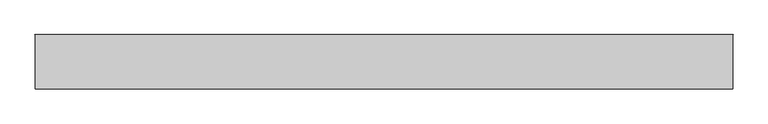
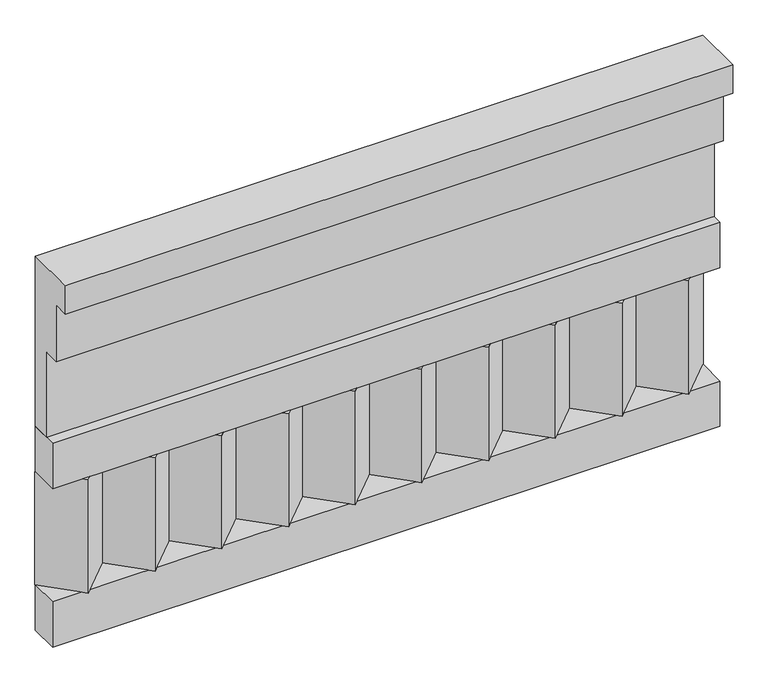
"""IFC4 building model written with IfcOpenShell, lengths in millimetres: railing geometry."""

from ifc_helpers import new_model, si_unit, frame, origin, place, context, project, spatial, polyline, outline, extrude, source, transform, mapped, element, save


def railing_413889b6(model_context):
    return source(origin(), model_context, "Body", "SweptSolid", [
        extrude(outline(polyline([(-16816.8920513, 15200.0), (-16816.8920513, 14750.0), (-16866.8920513, 14750.0), (-16866.8920513, 14975.0), (-16906.8920513, 14975.0), (-16906.8920513, 15125.0), (-16946.8920513, 15125.0), (-16946.8920513, 15200.0), (-16816.8920513, 15200.0)])), frame((-5539.9887159, 0.0, 0.0), z_axis=(1.0, 0.0, 0.0), x_axis=(0.0, 1.0, 0.0)), (0.0, 0.0, 1.0), 1670.0),
        extrude(outline(polyline([(-5539.9887159, -16891.8920513), (-5539.9887159, -16816.8920513), (-3869.9887159, -16816.8920513), (-3869.9887159, -16891.8920513), (-5539.9887159, -16891.8920513)])), frame((0.0, 0.0, 14630.0), z_axis=(0.0, 0.0, 1.0), x_axis=(1.0, 0.0, 0.0)), (0.0, 0.0, 1.0), 120.0),
        extrude(outline(polyline([(-5539.9887159, -16891.8920513), (-5539.9887159, -16816.8920513), (-3869.9887159, -16816.8920513), (-3869.9887159, -16891.8920513), (-5539.9887159, -16891.8920513)])), frame((0.0, 0.0, 14210.0), z_axis=(0.0, 0.0, 1.0), x_axis=(1.0, 0.0, 0.0)), (0.0, 0.0, 1.0), 120.0),
        extrude(outline(polyline([(-3953.4887159, -16901.7448651), (-4038.3415296, -16816.8920513), (-3868.6359022, -16816.8920513), (-3953.4887159, -16901.7448651)])), frame((0.0, 0.0, 14330.0), z_axis=(0.0, 0.0, 1.0), x_axis=(1.0, 0.0, 0.0)), (0.0, 0.0, 1.0), 300.0),
        extrude(outline(polyline([(-4120.4887159, -16901.7448651), (-4205.3415296, -16816.8920513), (-4035.6359022, -16816.8920513), (-4120.4887159, -16901.7448651)])), frame((0.0, 0.0, 14330.0), z_axis=(0.0, 0.0, 1.0), x_axis=(1.0, 0.0, 0.0)), (0.0, 0.0, 1.0), 300.0),
        extrude(outline(polyline([(-4287.4887159, -16901.7448651), (-4372.3415296, -16816.8920513), (-4202.6359022, -16816.8920513), (-4287.4887159, -16901.7448651)])), frame((0.0, 0.0, 14330.0), z_axis=(0.0, 0.0, 1.0), x_axis=(1.0, 0.0, 0.0)), (0.0, 0.0, 1.0), 300.0),
        extrude(outline(polyline([(-4454.4887159, -16901.7448651), (-4539.3415296, -16816.8920513), (-4369.6359022, -16816.8920513), (-4454.4887159, -16901.7448651)])), frame((0.0, 0.0, 14330.0), z_axis=(0.0, 0.0, 1.0), x_axis=(1.0, 0.0, 0.0)), (0.0, 0.0, 1.0), 300.0),
        extrude(outline(polyline([(-4621.4887159, -16901.7448651), (-4706.3415296, -16816.8920513), (-4536.6359022, -16816.8920513), (-4621.4887159, -16901.7448651)])), frame((0.0, 0.0, 14330.0), z_axis=(0.0, 0.0, 1.0), x_axis=(1.0, 0.0, 0.0)), (0.0, 0.0, 1.0), 300.0),
        extrude(outline(polyline([(-4788.4887159, -16901.7448651), (-4873.3415296, -16816.8920513), (-4703.6359022, -16816.8920513), (-4788.4887159, -16901.7448651)])), frame((0.0, 0.0, 14330.0), z_axis=(0.0, 0.0, 1.0), x_axis=(1.0, 0.0, 0.0)), (0.0, 0.0, 1.0), 300.0),
        extrude(outline(polyline([(-4955.4887159, -16901.7448651), (-5040.3415296, -16816.8920513), (-4870.6359022, -16816.8920513), (-4955.4887159, -16901.7448651)])), frame((0.0, 0.0, 14330.0), z_axis=(0.0, 0.0, 1.0), x_axis=(1.0, 0.0, 0.0)), (0.0, 0.0, 1.0), 300.0),
        extrude(outline(polyline([(-5122.4887159, -16901.7448651), (-5207.3415296, -16816.8920513), (-5037.6359022, -16816.8920513), (-5122.4887159, -16901.7448651)])), frame((0.0, 0.0, 14330.0), z_axis=(0.0, 0.0, 1.0), x_axis=(1.0, 0.0, 0.0)), (0.0, 0.0, 1.0), 300.0),
        extrude(outline(polyline([(-5289.4887159, -16901.7448651), (-5374.3415296, -16816.8920513), (-5204.6359022, -16816.8920513), (-5289.4887159, -16901.7448651)])), frame((0.0, 0.0, 14330.0), z_axis=(0.0, 0.0, 1.0), x_axis=(1.0, 0.0, 0.0)), (0.0, 0.0, 1.0), 300.0),
        extrude(outline(polyline([(-5456.4887159, -16901.7448651), (-5541.3415296, -16816.8920513), (-5371.6359022, -16816.8920513), (-5456.4887159, -16901.7448651)])), frame((0.0, 0.0, 14330.0), z_axis=(0.0, 0.0, 1.0), x_axis=(1.0, 0.0, 0.0)), (0.0, 0.0, 1.0), 300.0),
    ])


if __name__ == "__main__":
    model = new_model("IFC4")
    model_context = context("Model", 3, world=origin())
    ifc_project = project(units=[si_unit("LENGTHUNIT", "METRE", prefix="MILLI")], contexts=[model_context])
    site = spatial("IfcSite", under=ifc_project)
    building = spatial("IfcBuilding", under=site)
    placement = place(None, origin())
    railing_shape = railing_413889b6(model_context)
    element("IfcRailing", 1, at=placement, inside=building, context=model_context, shape_type="MappedRepresentation", body=[
        mapped(railing_shape, transform((0.0, 0.0, 0.0), x_axis=(1.0, 0.0, 0.0), y_axis=(0.0, 1.0, 0.0), z_axis=(0.0, 0.0, 1.0))),
    ])
    save(model, "model.ifc")
